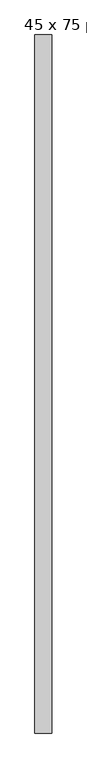
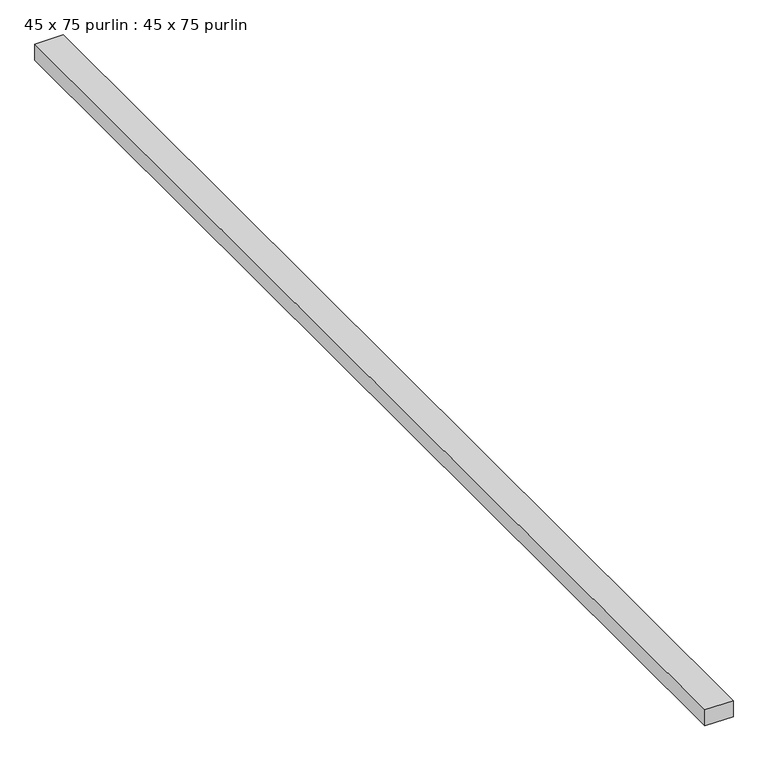
"""IFC4 building model written with IfcOpenShell, lengths in millimetres: proxy geometry, 45 x 75 purlin : 45 x 75 purlin."""

from ifc_helpers import new_model, si_unit, frame, origin, place, context, project, spatial, polyline, outline, extrude, source, transform, mapped, element, save


def proxy_45_x_75_purlin_45_x_75_purlin_37ad543a(model_context):
    return source(origin(), model_context, "Body", "SweptSolid", [
        extrude(outline(polyline([(-11770.8421646, -1339.0060744), (-11845.8421646, -1339.0060744), (-11845.8421646, 1750.9939256), (-11770.8421646, 1750.9939256), (-11770.8421646, -1339.0060744)])), frame((0.0, 0.0, 3784.2452806), z_axis=(0.0, 0.0, 1.0), x_axis=(1.0, 0.0, 0.0)), (0.0, 0.0, 1.0), 45.0),
    ])


if __name__ == "__main__":
    model = new_model("IFC4")
    model_context = context("Model", 3, world=origin())
    ifc_project = project(units=[si_unit("LENGTHUNIT", "METRE", prefix="MILLI")], contexts=[model_context])
    site = spatial("IfcSite", under=ifc_project)
    building = spatial("IfcBuilding", under=site)
    placement = place(None, origin())
    proxy_45_x_75_purlin_45_x_75_purlin_shape = proxy_45_x_75_purlin_45_x_75_purlin_37ad543a(model_context)
    element("IfcBuildingElementProxy", 1, Name="45 x 75 purlin : 45 x 75 purlin", ObjectType="45 x 75 purlin : 45 x 75 purlin", at=placement, inside=building, context=model_context, shape_type="MappedRepresentation", body=[
        mapped(proxy_45_x_75_purlin_45_x_75_purlin_shape, transform((0.0, 0.0, 0.0), x_axis=(1.0, 0.0, 0.0), y_axis=(0.0, 1.0, 0.0), z_axis=(0.0, 0.0, 1.0))),
    ])
    save(model, "model.ifc")
